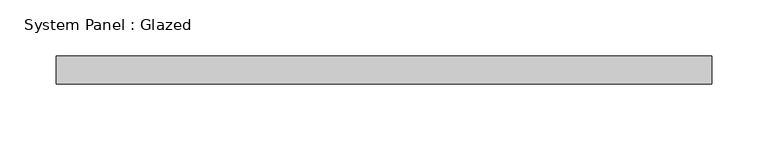
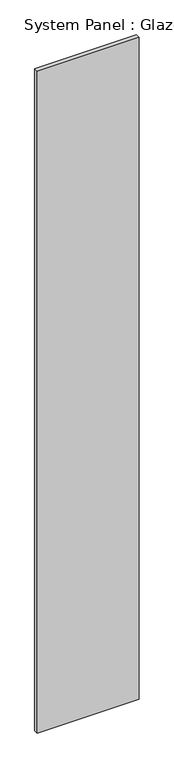
"""IFC4 building model written with IfcOpenShell, lengths in millimetres: plate geometry, System Panel : Glazed."""

import ifcopenshell
import ifcopenshell.guid

model = None  # the IFC model being written
_history = None  # IfcOwnerHistory: only IFC2X3 demands one
_inside = {}  # id of a spatial element -> (the spatial element, [elements in it])
_under = {}  # id of a project, library or spatial element -> (it, [spatial elements below it])
_declared = {}  # id of a project -> (the project, [libraries it declares])
_typed = {}  # id of a type object -> (the type object, [elements of that type])
_made_of = {}  # id of a material, layer set ... -> (it, [elements and type objects made of it])


def new_model(schema):
    """Start an empty IFC model of exactly this schema.

    Asked for "IFC4X3", IfcOpenShell would pick the latest addendum, in which some entities
    have other attributes; the version numbers below select the first issue.
    IFC2X3 requires an IfcOwnerHistory on every rooted entity: one is made here for all.
    """
    global model, _history
    if schema == "IFC4X3":
        model = ifcopenshell.file(schema_version=(4, 3, 0, 0))
    else:
        model = ifcopenshell.file(schema=schema)
    _inside.clear()
    _under.clear()
    _declared.clear()
    _typed.clear()
    _made_of.clear()
    _history = None
    if model.schema == "IFC2X3":
        org = make("IfcOrganization", Name="unknown")
        user = make(
            "IfcPersonAndOrganization",
            ThePerson=make("IfcPerson", FamilyName="unknown"),
            TheOrganization=org,
        )
        app = make(
            "IfcApplication",
            ApplicationDeveloper=org,
            Version="unknown",
            ApplicationFullName="unknown",
            ApplicationIdentifier="unknown",
        )
        _history = make(
            "IfcOwnerHistory",
            OwningUser=user,
            OwningApplication=app,
            ChangeAction="ADDED",
            CreationDate=0,
        )
    return model


def make(cls, **values):
    """One entity of the class cls with the attributes given. An attribute that is None is left unset."""
    return model.create_entity(
        cls, **{name: value for name, value in values.items() if value is not None}
    )


def rooted(cls, **values):
    """An entity with a GlobalId (a new one), such as an element, a storey or a relation."""
    return make(cls, GlobalId=ifcopenshell.guid.new(), OwnerHistory=_history, **values)


def si_unit(unit_type, name, prefix=None):
    """IfcSIUnit, for example si_unit("LENGTHUNIT", "METRE", prefix="MILLI")."""
    return make("IfcSIUnit", UnitType=unit_type, Prefix=prefix, Name=name)


def assignment(units):
    """IfcUnitAssignment: the units of a project."""
    return None if units is None else make("IfcUnitAssignment", Units=units)


def point(xyz):
    """IfcCartesianPoint."""
    return None if xyz is None else make("IfcCartesianPoint", Coordinates=xyz)


def direction(xyz):
    """IfcDirection."""
    return None if xyz is None else make("IfcDirection", DirectionRatios=xyz)


def frame(location, z_axis=None, x_axis=None):
    """IfcAxis2Placement3D, a coordinate frame: its origin and axes. An axis left out is left unset."""
    return make(
        "IfcAxis2Placement3D",
        Location=point(location),
        Axis=direction(z_axis),
        RefDirection=direction(x_axis),
    )


def origin():
    """The frame at (0, 0, 0) with its axes left unset."""
    return frame((0.0, 0.0, 0.0))


def origin_with_axes():
    """The frame at (0, 0, 0) with the z axis (0, 0, 1) and the x axis (1, 0, 0) written out."""
    return frame((0.0, 0.0, 0.0), z_axis=(0.0, 0.0, 1.0), x_axis=(1.0, 0.0, 0.0))


def place(relative_to, where):
    """IfcLocalPlacement: puts the frame where relative to a parent placement (None: the world)."""
    return make(
        "IfcLocalPlacement", PlacementRelTo=relative_to, RelativePlacement=where
    )


def context(
    kind, dimensions, precision=None, world=None, true_north=None, identifier=None
):
    """IfcGeometricRepresentationContext, for example the 3D "Model" context."""
    return make(
        "IfcGeometricRepresentationContext",
        ContextIdentifier=identifier,
        ContextType=kind,
        CoordinateSpaceDimension=dimensions,
        Precision=precision,
        WorldCoordinateSystem=world,
        TrueNorth=true_north,
    )


def project(units=None, contexts=None):
    """IfcProject with its units and contexts."""
    return rooted(
        "IfcProject",
        Name="project",
        RepresentationContexts=contexts,
        UnitsInContext=assignment(units),
    )


def spatial(cls, under=None, at=None, **own):
    """A site, building, storey or space (cls), placed at a placement, below another one or the project."""
    s = rooted(cls, ObjectPlacement=at, **own)
    if under is not None:
        _under.setdefault(under.id(), (under, []))[1].append(s)
    return s


def polyline(points):
    """IfcPolyline through the points."""
    return make("IfcPolyline", Points=[point(p) for p in points])


def outline(outer, holes=None, kind="AREA"):
    """IfcArbitraryClosedProfileDef: a profile drawn as a closed curve; with holes, ...WithVoids."""
    if holes is None:
        return make("IfcArbitraryClosedProfileDef", ProfileType=kind, OuterCurve=outer)
    return make(
        "IfcArbitraryProfileDefWithVoids",
        ProfileType=kind,
        OuterCurve=outer,
        InnerCurves=holes,
    )


def extrude(swept, where, along, depth):
    """IfcExtrudedAreaSolid: the profile swept, set in the frame where, extruded along a direction by depth."""
    return make(
        "IfcExtrudedAreaSolid",
        SweptArea=swept,
        Position=where,
        ExtrudedDirection=direction(along),
        Depth=depth,
    )


def shape(context_of_items, identifier, shape_type, items):
    """IfcShapeRepresentation: the items that make up one representation, for example the "Body"."""
    return make(
        "IfcShapeRepresentation",
        ContextOfItems=context_of_items,
        RepresentationIdentifier=identifier,
        RepresentationType=shape_type,
        Items=items,
    )


def source(mapping_origin, context_of_items, identifier, shape_type, items):
    """IfcRepresentationMap: a shape defined once, which mapped items show again and again."""
    return make(
        "IfcRepresentationMap",
        MappingOrigin=mapping_origin,
        MappedRepresentation=shape(context_of_items, identifier, shape_type, items),
    )


def transform(
    local_origin,
    x_axis=None,
    y_axis=None,
    z_axis=None,
    scale=None,
    scale2=None,
    scale3=None,
    uniform=True,
):
    """IfcCartesianTransformationOperator3D, or its non-uniform kind. x_axis, y_axis, z_axis: its Axis1, 2, 3."""
    if uniform:
        return make(
            "IfcCartesianTransformationOperator3D",
            Axis1=direction(x_axis),
            Axis2=direction(y_axis),
            LocalOrigin=point(local_origin),
            Scale=scale,
            Axis3=direction(z_axis),
        )
    return make(
        "IfcCartesianTransformationOperator3DnonUniform",
        Axis1=direction(x_axis),
        Axis2=direction(y_axis),
        LocalOrigin=point(local_origin),
        Scale=scale,
        Axis3=direction(z_axis),
        Scale2=scale2,
        Scale3=scale3,
    )


def mapped(mapping_source, mapping_target):
    """IfcMappedItem: shows the shape of a source again, moved by a transform."""
    return make(
        "IfcMappedItem", MappingSource=mapping_source, MappingTarget=mapping_target
    )


def made_of(thing, what):
    """Note that an element or type object is made of a material, layer set ...; save() writes the relation."""
    if what is not None:
        _made_of.setdefault(what.id(), (what, []))[1].append(thing)
    return thing


def element(
    cls,
    number,
    at=None,
    inside=None,
    cuts=None,
    type_object=None,
    material=None,
    context=None,
    identifier="Body",
    shape_type=None,
    held_by="IfcProductDefinitionShape",
    body=None,
    shapes=None,
    **own,
):
    """One element of the class cls, such as IfcWall. Its Tag is "e" and its number.

    at: its placement. inside: the storey or other place that contains it. cuts: it is an
    opening in that element (IfcRelVoidsElement). A single representation is given by context,
    identifier, shape_type and body (its items); several are given by shapes. held_by: the class
    of the entity that holds the representations. save() writes the other relations.
    """
    e = rooted(cls, Tag="e%d" % number, ObjectPlacement=at, **own)
    if body is not None:
        shapes = [shape(context, identifier, shape_type, body)]
    if shapes is not None:
        e.Representation = make(held_by, Representations=shapes)
    if inside is not None:
        _inside.setdefault(inside.id(), (inside, []))[1].append(e)
    if cuts is not None:
        rooted(
            "IfcRelVoidsElement", RelatingBuildingElement=cuts, RelatedOpeningElement=e
        )
    if type_object is not None:
        _typed.setdefault(type_object.id(), (type_object, []))[1].append(e)
    return made_of(e, material)


def aggregate(whole, parts):
    """IfcRelAggregates: a whole, such as a stair, and the parts it consists of."""
    return rooted("IfcRelAggregates", RelatingObject=whole, RelatedObjects=parts)


def save(model, path):
    """Write the relations noted so far, then the file.

    IfcRelAggregates (storeys below a building ...), IfcRelContainedInSpatialStructure (elements
    in a storey), IfcRelDefinesByType, IfcRelAssociatesMaterial and IfcRelDeclares: one each for
    every whole, place, type object, material and project.
    """
    for whole, parts in _under.values():
        aggregate(whole, parts)
    for where, things in _inside.values():
        rooted(
            "IfcRelContainedInSpatialStructure",
            RelatedElements=things,
            RelatingStructure=where,
        )
    for kind, things in _typed.values():
        rooted("IfcRelDefinesByType", RelatedObjects=things, RelatingType=kind)
    for what, things in _made_of.values():
        rooted("IfcRelAssociatesMaterial", RelatedObjects=things, RelatingMaterial=what)
    for by, libraries in _declared.values():
        rooted("IfcRelDeclares", RelatingContext=by, RelatedDefinitions=libraries)
    model.write(path)


def system_panel_glazed_7df74f92(model_context):
    return source(origin(), model_context, "Body", "SweptSolid", [
        extrude(outline(polyline([(292.2928227, -49.5), (-292.2928227, -49.5), (-292.2928227, -24.5), (292.2928227, -24.5), (292.2928227, -49.5)])), origin_with_axes(), (0.0, 0.0, 1.0), 4015.0),
    ])


if __name__ == "__main__":
    model = new_model("IFC4")
    model_context = context("Model", 3, world=origin())
    ifc_project = project(units=[si_unit("LENGTHUNIT", "METRE", prefix="MILLI")], contexts=[model_context])
    site = spatial("IfcSite", under=ifc_project)
    building = spatial("IfcBuilding", under=site)
    placement = place(None, origin())
    system_panel_glazed_shape = system_panel_glazed_7df74f92(model_context)
    element("IfcPlate", 1, ObjectType="System Panel : Glazed", at=placement, inside=building, context=model_context, shape_type="MappedRepresentation", body=[
        mapped(system_panel_glazed_shape, transform((0.0, 0.0, 0.0), x_axis=(1.0, 0.0, 0.0), y_axis=(0.0, 1.0, 0.0), z_axis=(0.0, 0.0, 1.0))),
    ])
    save(model, "model.ifc")
